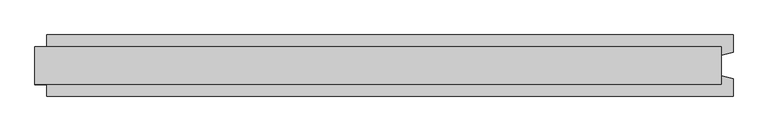
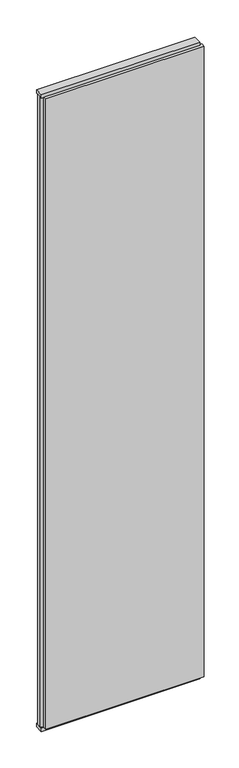
"""IFC4 building model written with IfcOpenShell, lengths in millimetres: plate geometry."""

from ifc_helpers import new_model, si_unit, frame, origin, origin_with_axes, place, context, project, spatial, polyline, outline, extrude, source, transform, mapped, element, save


def plate_a1b9251b(model_context):
    return source(origin(), model_context, "Body", "SweptSolid", [
        extrude(outline(polyline([(609.0, 52.5), (609.0, 22.9993165), (589.0, 17.6401049), (589.0, -17.6401049), (609.0, -22.9993165), (609.0, -52.5), (-569.0, -52.5), (-569.0, -22.9993165), (-589.0, -17.6401049), (-589.0, 17.6401049), (-569.0, 22.9993165), (-569.0, 52.5), (609.0, 52.5)])), frame((0.0, 0.0, 25.0), z_axis=(0.0, 0.0, 1.0), x_axis=(1.0, 0.0, 0.0)), (0.0, 0.0, 1.0), 4950.0),
        extrude(outline(polyline([(589.0, 32.0), (589.0, -32.0), (-589.0, -32.0), (-589.0, 32.0), (589.0, 32.0)])), origin_with_axes(), (0.0, 0.0, 1.0), 25.0),
        extrude(outline(polyline([(589.0, 32.0), (589.0, -32.0), (-589.0, -32.0), (-589.0, 32.0), (589.0, 32.0)])), frame((0.0, 0.0, 4975.0), z_axis=(0.0, 0.0, 1.0), x_axis=(1.0, 0.0, 0.0)), (0.0, 0.0, 1.0), 25.0),
    ])


if __name__ == "__main__":
    model = new_model("IFC4")
    model_context = context("Model", 3, world=origin())
    ifc_project = project(units=[si_unit("LENGTHUNIT", "METRE", prefix="MILLI")], contexts=[model_context])
    site = spatial("IfcSite", under=ifc_project)
    building = spatial("IfcBuilding", under=site)
    placement = place(None, origin())
    plate_shape = plate_a1b9251b(model_context)
    element("IfcPlate", 1, at=placement, inside=building, context=model_context, shape_type="MappedRepresentation", body=[
        mapped(plate_shape, transform((0.0, 0.0, 0.0), x_axis=(1.0, 0.0, 0.0), y_axis=(0.0, 1.0, 0.0), z_axis=(0.0, 0.0, 1.0))),
    ])
    save(model, "model.ifc")
